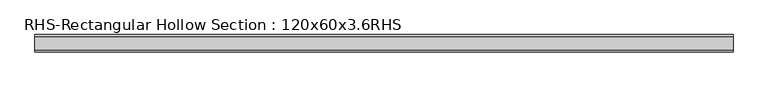
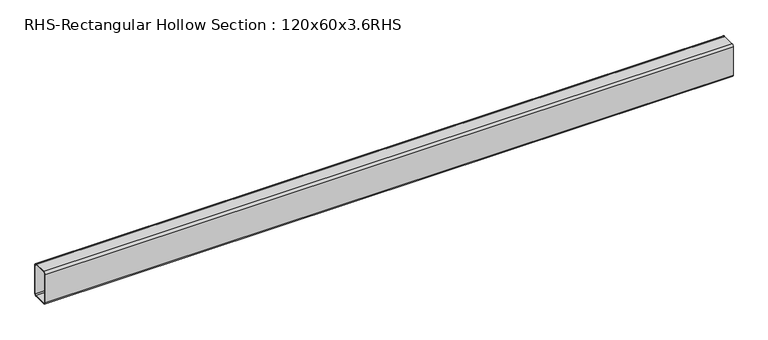
"""IFC4 building model written with IfcOpenShell, lengths in millimetres: beam geometry, RHS-Rectangular Hollow Section : 120x60x3.6RHS."""

from ifc_helpers import new_model, si_unit, point, frame, frame_2d, origin, place, context, project, spatial, polyline, circle_curve, trimmed, segment, composite_curve, outline, extrude, source, transform, mapped, element, save


def rhs_rectangular_hollow_section_120x60x3_6rhs_574dc89b(model_context):
    return source(origin(), model_context, "Body", "SweptSolid", [
        extrude(outline(composite_curve([segment(polyline([(30.0, 52.8), (30.0, -52.8)]), True, "CONTINUOUS"), segment(trimmed(circle_curve(frame_2d((22.8, -52.8)), 7.2), [point((30.0, -52.8))], [point((22.8, -60.0))], False, "CARTESIAN"), True, "CONTINUOUS"), segment(polyline([(22.8, -60.0), (-22.8, -60.0)]), True, "CONTINUOUS"), segment(trimmed(circle_curve(frame_2d((-22.8, -52.8)), 7.2), [point((-22.8, -60.0))], [point((-30.0, -52.8))], False, "CARTESIAN"), True, "CONTINUOUS"), segment(polyline([(-30.0, -52.8), (-30.0, 52.8)]), True, "CONTINUOUS"), segment(trimmed(circle_curve(frame_2d((-22.8, 52.8)), 7.2), [point((-30.0, 52.8))], [point((-22.8, 60.0))], False, "CARTESIAN"), True, "CONTINUOUS"), segment(polyline([(-22.8, 60.0), (22.8, 60.0)]), True, "CONTINUOUS"), segment(trimmed(circle_curve(frame_2d((22.8, 52.8)), 7.2), [point((22.8, 60.0))], [point((30.0, 52.8))], False, "CARTESIAN"), True, "CONTINUOUS")], self_intersect=False), holes=[composite_curve([segment(trimmed(circle_curve(frame_2d((-22.8, 52.8)), 3.6), [point((-22.8, 56.4))], [point((-26.4, 52.8))], True, "CARTESIAN"), True, "CONTINUOUS"), segment(polyline([(-26.4, 52.8), (-26.4, -52.8)]), True, "CONTINUOUS"), segment(trimmed(circle_curve(frame_2d((-22.8, -52.8)), 3.6), [point((-26.4, -52.8))], [point((-22.8, -56.4))], True, "CARTESIAN"), True, "CONTINUOUS"), segment(polyline([(-22.8, -56.4), (22.8, -56.4)]), True, "CONTINUOUS"), segment(trimmed(circle_curve(frame_2d((22.8, -52.8)), 3.6), [point((22.8, -56.4))], [point((26.4, -52.8))], True, "CARTESIAN"), True, "CONTINUOUS"), segment(polyline([(26.4, -52.8), (26.4, 52.8)]), True, "CONTINUOUS"), segment(trimmed(circle_curve(frame_2d((22.8, 52.8)), 3.6), [point((26.4, 52.8))], [point((22.8, 56.4))], True, "CARTESIAN"), True, "CONTINUOUS"), segment(polyline([(22.8, 56.4), (-22.8, 56.4)]), True, "CONTINUOUS")], self_intersect=False)]), frame((-1075.9243489, 0.0, 0.0), z_axis=(1.0, 0.0, 0.0), x_axis=(0.0, 1.0, 0.0)), (0.0, 0.0, 1.0), 2422.7287727),
    ])


if __name__ == "__main__":
    model = new_model("IFC4")
    model_context = context("Model", 3, world=origin())
    ifc_project = project(units=[si_unit("LENGTHUNIT", "METRE", prefix="MILLI")], contexts=[model_context])
    site = spatial("IfcSite", under=ifc_project)
    building = spatial("IfcBuilding", under=site)
    placement = place(None, origin())
    rhs_rectangular_hollow_section_120x60x3_6rhs_shape = rhs_rectangular_hollow_section_120x60x3_6rhs_574dc89b(model_context)
    element("IfcBeam", 1, ObjectType="RHS-Rectangular Hollow Section : 120x60x3.6RHS", at=placement, inside=building, context=model_context, shape_type="MappedRepresentation", body=[
        mapped(rhs_rectangular_hollow_section_120x60x3_6rhs_shape, transform((0.0, 0.0, 0.0), x_axis=(1.0, 0.0, 0.0), y_axis=(0.0, 1.0, 0.0), z_axis=(0.0, 0.0, 1.0))),
    ])
    save(model, "model.ifc")
